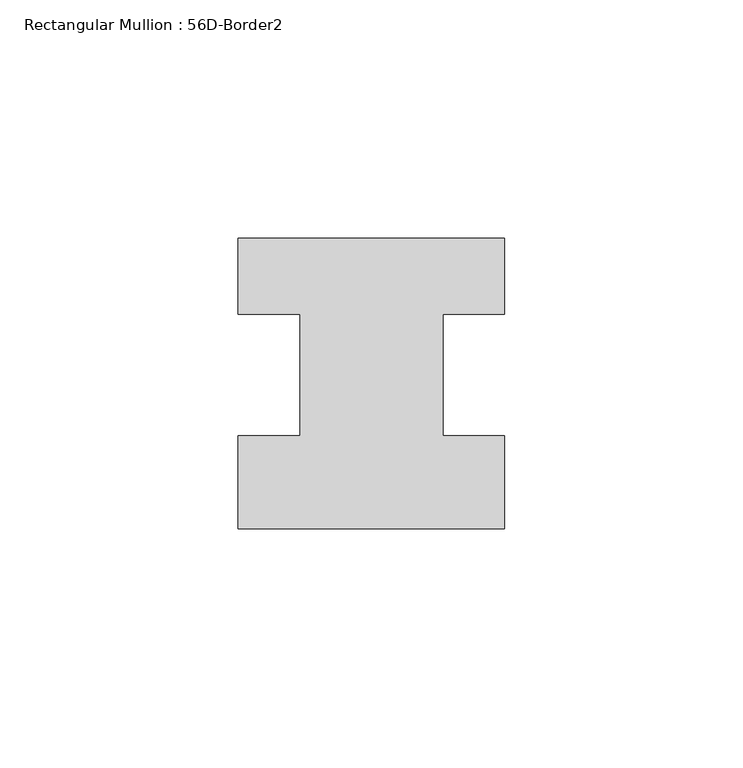
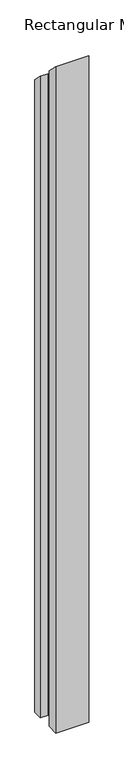
"""IFC4 building model written with IfcOpenShell, lengths in millimetres: member geometry, Rectangular Mullion : 56D-Border2."""

from ifc_helpers import new_model, si_unit, origin, place, context, project, spatial, faceted_brep, source, transform, mapped, element, save


def rectangular_mullion_56d_border2_b745b038(model_context):
    return source(origin(), model_context, "Body", "Brep", [
        faceted_brep([(0.0, -20.0, -1172.0), (-56.0, -20.0, -1172.0), (-56.0, -0.5, -1172.0), (-43.0, -0.5, -1172.0), (-43.0, 25.0, -1172.0), (-56.0, 25.0, -1172.0), (-56.0, 41.0, -1172.0), (0.0, 41.0, -1172.0), (0.0, 25.0, -1172.0), (-13.0, 25.0, -1172.0), (-13.0, -0.5, -1172.0), (0.0, -0.5, -1172.0), (0.0, -0.5, 0.5), (0.0, -20.0, 20.0), (-13.0, -0.5, 0.5), (-13.0, 25.0, -25.0), (0.0, 25.0, -25.0), (0.0, 41.0, -41.0), (-56.0, 41.0, -41.0), (-56.0, 25.0, -25.0), (-43.0, 25.0, -25.0), (-43.0, -0.5, 0.5), (-56.0, -0.5, 0.5), (-56.0, -20.0, 20.0)], [[[0, 1, 2, 3, 4, 5, 6, 7, 8, 9, 10, 11]], [[12, 13, 0, 11]], [[14, 12, 11, 10]], [[15, 14, 10, 9]], [[16, 15, 9, 8]], [[17, 16, 8, 7]], [[18, 17, 7, 6]], [[19, 18, 6, 5]], [[20, 19, 5, 4]], [[21, 20, 4, 3]], [[22, 21, 3, 2]], [[23, 22, 2, 1]], [[13, 23, 1, 0]], [[13, 12, 14, 15, 16, 17, 18, 19, 20, 21, 22, 23]]]),
    ])


if __name__ == "__main__":
    model = new_model("IFC4")
    model_context = context("Model", 3, world=origin())
    ifc_project = project(units=[si_unit("LENGTHUNIT", "METRE", prefix="MILLI")], contexts=[model_context])
    site = spatial("IfcSite", under=ifc_project)
    building = spatial("IfcBuilding", under=site)
    placement = place(None, origin())
    rectangular_mullion_56d_border2_shape = rectangular_mullion_56d_border2_b745b038(model_context)
    element("IfcMember", 1, ObjectType="Rectangular Mullion : 56D-Border2", at=placement, inside=building, context=model_context, shape_type="MappedRepresentation", body=[
        mapped(rectangular_mullion_56d_border2_shape, transform((0.0, 0.0, 0.0), x_axis=(1.0, 0.0, 0.0), y_axis=(0.0, 1.0, 0.0), z_axis=(0.0, 0.0, 1.0))),
    ])
    save(model, "model.ifc")
